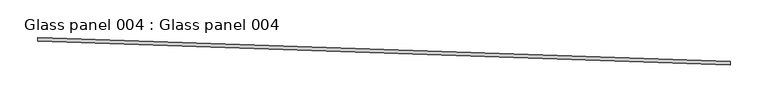
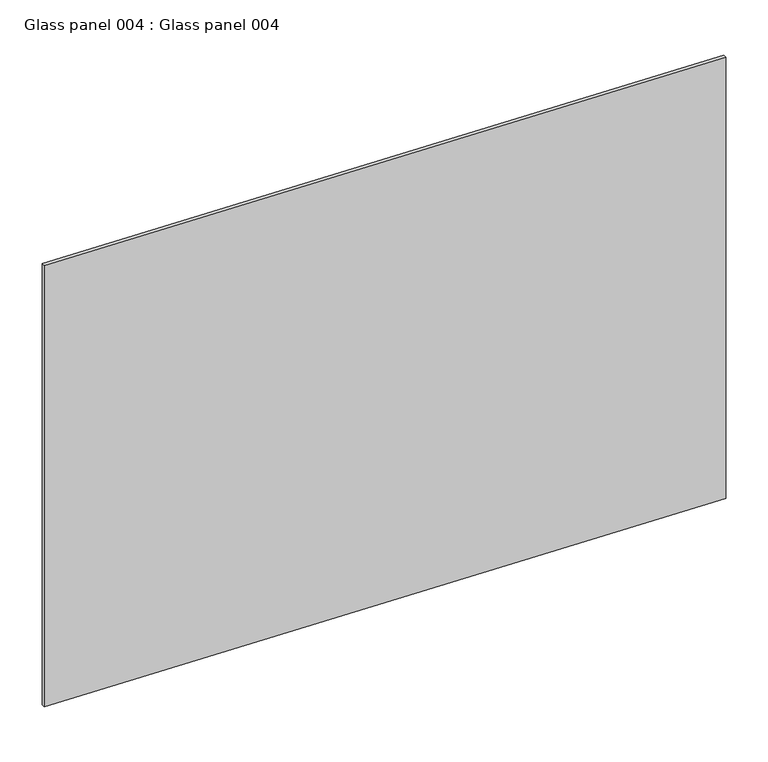
"""IFC4 building model written with IfcOpenShell, lengths in millimetres: proxy geometry, Glass panel 004 : Glass panel 004."""

from ifc_helpers import new_model, si_unit, frame, origin, place, context, project, spatial, polyline, outline, extrude, source, transform, mapped, element, save


def glass_panel_004_glass_panel_004_64a7e6d5(model_context):
    return source(origin(), model_context, "Body", "SweptSolid", [
        extrude(outline(polyline([(34355.3481458, -15457.2107911), (34355.1852598, -15461.9705048), (33441.3202314, -15430.6963955), (33441.4831174, -15425.9366818), (34355.3481458, -15457.2107911)])), frame((0.0, 0.0, 2242.000394), z_axis=(0.0, 0.0, 1.0), x_axis=(1.0, 0.0, 0.0)), (0.0, 0.0, 1.0), 638.3498013),
    ])


if __name__ == "__main__":
    model = new_model("IFC4")
    model_context = context("Model", 3, world=origin())
    ifc_project = project(units=[si_unit("LENGTHUNIT", "METRE", prefix="MILLI")], contexts=[model_context])
    site = spatial("IfcSite", under=ifc_project)
    building = spatial("IfcBuilding", under=site)
    placement = place(None, origin())
    glass_panel_004_glass_panel_004_shape = glass_panel_004_glass_panel_004_64a7e6d5(model_context)
    element("IfcBuildingElementProxy", 1, Name="Glass panel 004 : Glass panel 004", ObjectType="Glass panel 004 : Glass panel 004", at=placement, inside=building, context=model_context, shape_type="MappedRepresentation", body=[
        mapped(glass_panel_004_glass_panel_004_shape, transform((0.0, 0.0, 0.0), x_axis=(1.0, 0.0, 0.0), y_axis=(0.0, 1.0, 0.0), z_axis=(0.0, 0.0, 1.0))),
    ])
    save(model, "model.ifc")
